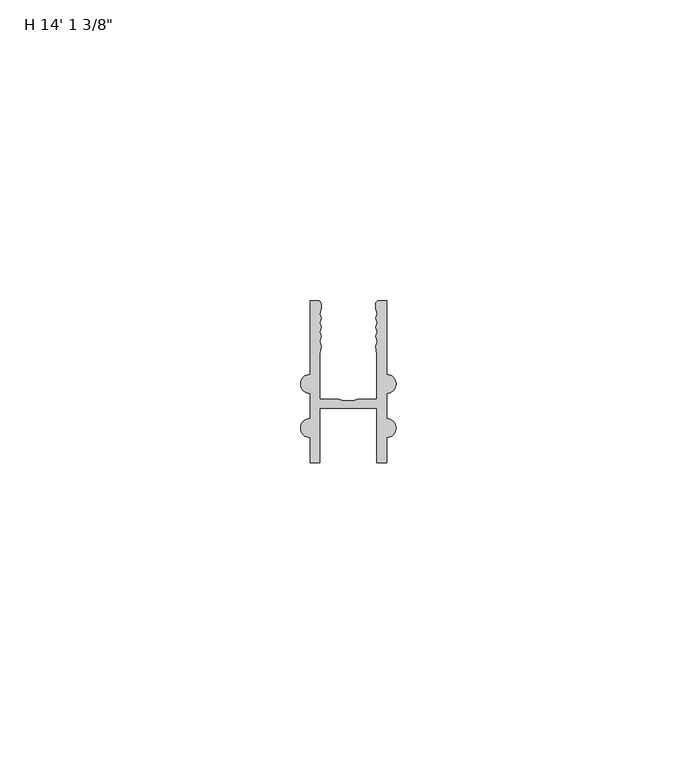
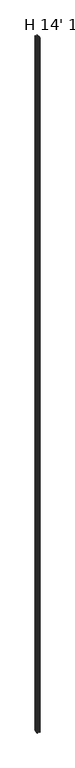
"""IFC4 building model written with IfcOpenShell, lengths in millimetres: proxy geometry."""

from ifc_helpers import new_model, si_unit, point, frame_2d, origin, origin_with_axes, place, context, project, spatial, polyline, circle_curve, trimmed, segment, composite_curve, outline, extrude, source, transform, mapped, element, save


def proxy_a6d58a55(model_context):
    return source(origin(), model_context, "Body", "SweptSolid", [
        extrude(outline(composite_curve([segment(polyline([(1.5875, 18.085932), (2.8080426, 18.085932)]), True, "CONTINUOUS"), segment(trimmed(circle_curve(frame_2d((2.8080426, 17.4877721)), 0.5981599), [point((2.8080426, 18.085932))], [point((3.4062025, 17.4877721))], False, "CARTESIAN"), True, "CONTINUOUS"), segment(polyline([(3.4062025, 17.4877721), (3.4062025, 16.6930116), (3.1452081, 15.9350289), (3.4062025, 15.1770461), (3.1452081, 14.4190633), (3.4062025, 13.6610805), (3.1452081, 12.9030978), (3.4062025, 12.145115), (3.1452081, 11.287131), (3.4062025, 10.5291482), (3.175, 9.2564381), (3.175, 1.6988081), (6.35, 1.6988081), (7.0910497, 1.4436443), (8.7839503, 1.4436443), (9.525, 1.6988081), (12.7, 1.6988081), (12.7, 9.2564381), (12.4687975, 10.5291482), (12.7297919, 11.287131), (12.4687975, 12.145115), (12.7297919, 12.9030978), (12.4687975, 13.6610805), (12.7297919, 14.4190633), (12.4687975, 15.1770461), (12.7297919, 15.9350289), (12.4687975, 16.6930116), (12.4687975, 17.4877721)]), True, "CONTINUOUS"), segment(trimmed(circle_curve(frame_2d((13.0669574, 17.4877721)), 0.5981599), [point((12.4687975, 17.4877721))], [point((13.0669574, 18.085932))], False, "CARTESIAN"), True, "CONTINUOUS"), segment(polyline([(13.0669574, 18.085932), (14.2875, 18.085932), (14.2875, 5.8199581)]), True, "CONTINUOUS"), segment(trimmed(circle_curve(frame_2d((14.2875, 4.2324581)), 1.5875), [point((14.2875, 5.8199581))], [point((15.875, 4.2324581))], False, "CARTESIAN"), True, "CONTINUOUS"), segment(trimmed(circle_curve(frame_2d((14.2875, 4.2324581)), 1.5875), [point((15.875, 4.2324581))], [point((14.2875, 2.6449581))], False, "CARTESIAN"), True, "CONTINUOUS"), segment(polyline([(14.2875, 2.6449581), (14.2875, -1.5333419)]), True, "CONTINUOUS"), segment(trimmed(circle_curve(frame_2d((14.2875, -3.1208419)), 1.5875), [point((14.2875, -1.5333419))], [point((15.875, -3.1208419))], False, "CARTESIAN"), True, "CONTINUOUS"), segment(trimmed(circle_curve(frame_2d((14.2875, -3.1208419)), 1.5875), [point((15.875, -3.1208419))], [point((14.2875, -4.7083419))], False, "CARTESIAN"), True, "CONTINUOUS"), segment(polyline([(14.2875, -4.7083419), (14.2875, -8.8993419), (12.7, -8.8993419), (12.7, 0.1748081), (3.175, 0.1748081), (3.175, -8.8993419), (1.5875, -8.8993419), (1.5875, -4.7083419)]), True, "CONTINUOUS"), segment(trimmed(circle_curve(frame_2d((1.5875, -3.1208419)), 1.5875), [point((1.5875, -4.7083419))], [point((0.0, -3.1208419))], False, "CARTESIAN"), True, "CONTINUOUS"), segment(trimmed(circle_curve(frame_2d((1.5875, -3.1208419)), 1.5875), [point((0.0, -3.1208419))], [point((1.5875, -1.5333419))], False, "CARTESIAN"), True, "CONTINUOUS"), segment(polyline([(1.5875, -1.5333419), (1.5875, 2.6449581)]), True, "CONTINUOUS"), segment(trimmed(circle_curve(frame_2d((1.5875, 4.2324581)), 1.5875), [point((1.5875, 2.6449581))], [point((0.0, 4.2324581))], False, "CARTESIAN"), True, "CONTINUOUS"), segment(trimmed(circle_curve(frame_2d((1.5875, 4.2324581)), 1.5875), [point((0.0, 4.2324581))], [point((1.5875, 5.8199581))], False, "CARTESIAN"), True, "CONTINUOUS"), segment(polyline([(1.5875, 5.8199581), (1.5875, 18.085932)]), True, "CONTINUOUS")], self_intersect=False)), origin_with_axes(), (0.0, 0.0, 1.0), 4302.125),
    ])


if __name__ == "__main__":
    model = new_model("IFC4")
    model_context = context("Model", 3, world=origin())
    ifc_project = project(units=[si_unit("LENGTHUNIT", "METRE", prefix="MILLI")], contexts=[model_context])
    site = spatial("IfcSite", under=ifc_project)
    building = spatial("IfcBuilding", under=site)
    placement = place(None, origin())
    proxy_shape = proxy_a6d58a55(model_context)
    element("IfcBuildingElementProxy", 1, Name="H 14' 1 3/8\"", ObjectType="H 14' 1 3/8\"", at=placement, inside=building, context=model_context, shape_type="MappedRepresentation", body=[
        mapped(proxy_shape, transform((0.0, 0.0, 0.0), x_axis=(1.0, 0.0, 0.0), y_axis=(0.0, 1.0, 0.0), z_axis=(0.0, 0.0, 1.0))),
    ])
    save(model, "model.ifc")
